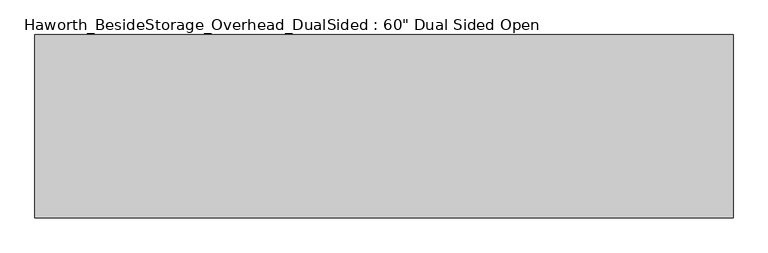
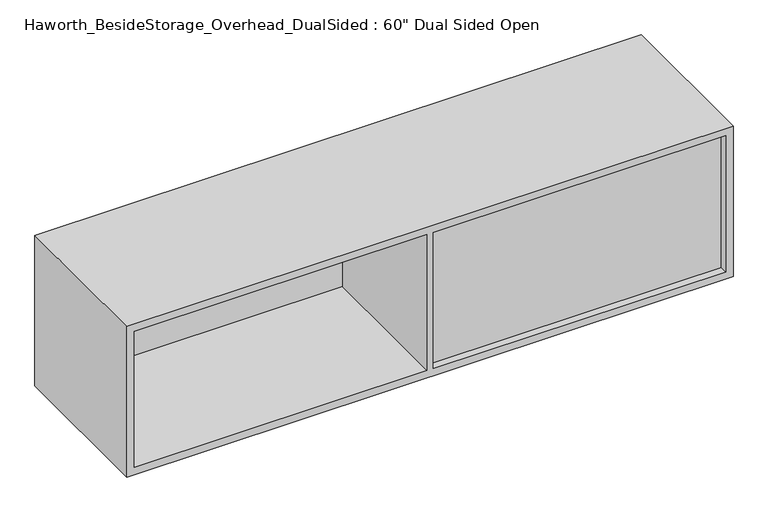
"""IFC4 building model written with IfcOpenShell, lengths in millimetres: furniture geometry."""

from ifc_helpers import new_model, si_unit, frame, origin, place, context, project, spatial, polyline, outline, extrude, source, transform, mapped, element, save


def furniture_e73821ee(model_context):
    return source(origin(), model_context, "Body", "SweptSolid", [
        extrude(outline(polyline([(-64.8684159, -371.475), (670.1440841, -371.475), (670.1440841, -384.175), (-64.8684159, -384.175), (-64.8684159, -371.475)])), frame((0.0, 0.0, 781.05), z_axis=(0.0, 0.0, 1.0), x_axis=(1.0, 0.0, 0.0)), (0.0, 0.0, 1.0), 361.95),
        extrude(outline(polyline([(-815.7559159, -22.225), (-80.7434159, -22.225), (-80.7434159, -34.925), (-815.7559159, -34.925), (-815.7559159, -22.225)])), frame((0.0, 0.0, 781.05), z_axis=(0.0, 0.0, 1.0), x_axis=(1.0, 0.0, 0.0)), (0.0, 0.0, 1.0), 361.95),
        extrude(outline(polyline([(762.0, 689.1940841), (1162.05, 689.1940841), (1162.05, -834.8059159), (762.0, -834.8059159), (762.0, 689.1940841)]), holes=[polyline([(1143.0, -80.7434159), (781.05, -80.7434159), (781.05, -815.7559159), (1143.0, -815.7559159), (1143.0, -80.7434159)]), polyline([(781.05, 670.1440841), (781.05, -64.8684159), (1143.0, -64.8684159), (1143.0, 670.1440841), (781.05, 670.1440841)])]), frame((0.0, -403.225, 0.0), z_axis=(0.0, 1.0, 0.0), x_axis=(0.0, 0.0, 1.0)), (0.0, 0.0, 1.0), 400.05),
    ])


if __name__ == "__main__":
    model = new_model("IFC4")
    model_context = context("Model", 3, world=origin())
    ifc_project = project(units=[si_unit("LENGTHUNIT", "METRE", prefix="MILLI")], contexts=[model_context])
    site = spatial("IfcSite", under=ifc_project)
    building = spatial("IfcBuilding", under=site)
    placement = place(None, origin())
    furniture_shape = furniture_e73821ee(model_context)
    element("IfcFurniture", 1, ObjectType="Haworth_BesideStorage_Overhead_DualSided : 60\" Dual Sided Open", at=placement, inside=building, context=model_context, shape_type="MappedRepresentation", body=[
        mapped(furniture_shape, transform((0.0, 0.0, 0.0), x_axis=(1.0, 0.0, 0.0), y_axis=(0.0, 1.0, 0.0), z_axis=(0.0, 0.0, 1.0))),
    ])
    save(model, "model.ifc")
